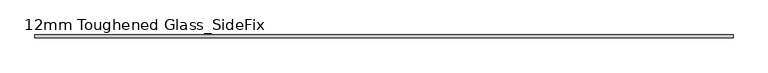
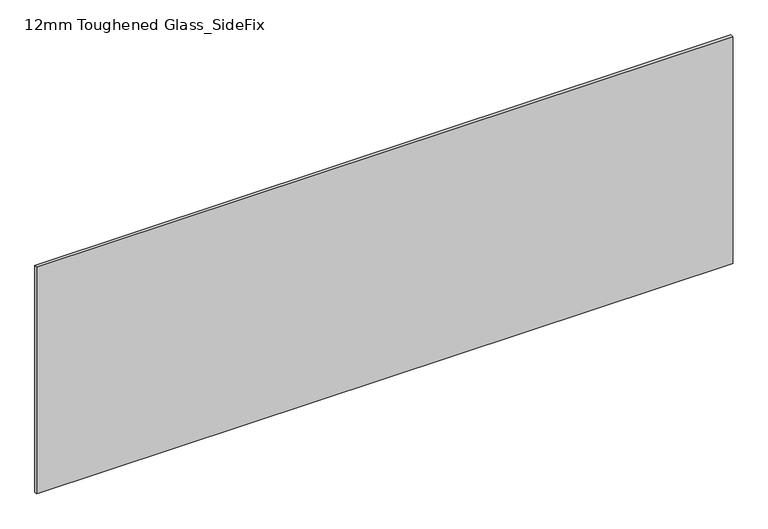
"""IFC4 building model written with IfcOpenShell, lengths in millimetres: plate geometry, 12mm Toughened Glass_SideFix."""

from ifc_helpers import new_model, si_unit, origin, origin_with_axes, place, context, project, spatial, polyline, outline, extrude, source, transform, mapped, element, save


def plate_12mm_toughened_glass_sidefix_73ecd7e3(model_context):
    return source(origin(), model_context, "Body", "SweptSolid", [
        extrude(outline(polyline([(1420.0, -26.0), (1420.0, -38.0), (-1420.0, -38.0), (-1420.0, -26.0), (1420.0, -26.0)])), origin_with_axes(), (0.0, 0.0, 1.0), 979.0),
    ])


if __name__ == "__main__":
    model = new_model("IFC4")
    model_context = context("Model", 3, world=origin())
    ifc_project = project(units=[si_unit("LENGTHUNIT", "METRE", prefix="MILLI")], contexts=[model_context])
    site = spatial("IfcSite", under=ifc_project)
    building = spatial("IfcBuilding", under=site)
    placement = place(None, origin())
    plate_12mm_toughened_glass_sidefix_shape = plate_12mm_toughened_glass_sidefix_73ecd7e3(model_context)
    element("IfcPlate", 1, ObjectType="12mm Toughened Glass_SideFix", at=placement, inside=building, context=model_context, shape_type="MappedRepresentation", body=[
        mapped(plate_12mm_toughened_glass_sidefix_shape, transform((0.0, 0.0, 0.0), x_axis=(1.0, 0.0, 0.0), y_axis=(0.0, 1.0, 0.0), z_axis=(0.0, 0.0, 1.0))),
    ])
    save(model, "model.ifc")
